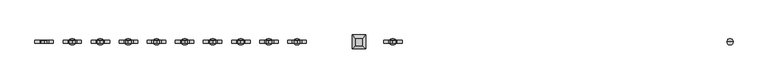
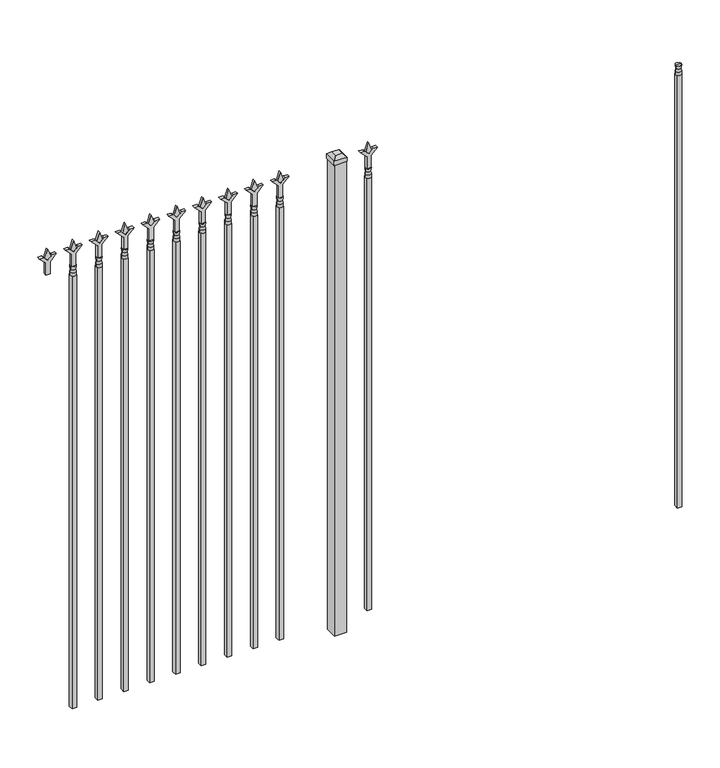
"""IFC4 building model written with IfcOpenShell, lengths in millimetres: railing geometry."""

from ifc_helpers import new_model, si_unit, frame, origin, origin_with_axes, place, context, project, spatial, polyline, circle_curve, outline, extrude, faceted_brep, source, transform, mapped, element, save
from ifc_brep_helpers import plane_surface, cylinder_surface, revolved_surface, advanced_brep


def railing_6da1536f(model_context):
    return source(origin(), model_context, "Body", "SolidModel", [
        advanced_brep(
        [(-58315.574337, -3073.6570174, 1993.9), (-58339.386837, -3073.6570174, 1993.9), (-58339.386837, -3073.6570174, 1981.2), (-58315.574337, -3073.6570174, 1981.2), (-58317.7796688, -3073.6570174, 2006.4070585), (-58337.1815051, -3073.6570174, 2006.4070585), (-58315.574337, -3073.6570174, 2022.475), (-58339.386837, -3073.6570174, 2022.475), (-58327.480587, -3073.6570174, 2022.475), (-58327.480587, -3073.6570174, 1981.2)],
        [
            (0, 1, circle_curve(frame((-58327.480587, -3073.6570174, 1993.9), z_axis=(0.0, 0.0, -1.0), x_axis=(-1.0, 0.0, 0.0)), 11.90625)),
            (1, 2),
            (2, 3, circle_curve(frame((-58327.480587, -3073.6570174, 1981.2), z_axis=(0.0, 0.0, 1.0), x_axis=(-1.0, 0.0, 0.0)), 11.90625)),
            (3, 0),
            (1, 0, circle_curve(frame((-58327.480587, -3073.6570174, 1993.9), z_axis=(0.0, 0.0, -1.0), x_axis=(-1.0, 0.0, 0.0)), 11.90625)),
            (3, 2, circle_curve(frame((-58327.480587, -3073.6570174, 1981.2), z_axis=(0.0, 0.0, 1.0), x_axis=(-1.0, 0.0, 0.0)), 11.90625)),
            (4, 5, circle_curve(frame((-58327.480587, -3073.6570174, 2006.4070585), z_axis=(0.0, 0.0, -1.0), x_axis=(-1.0, 0.0, 0.0)), 9.7009181)),
            (5, 1),
            (0, 4),
            (5, 4, circle_curve(frame((-58327.480587, -3073.6570174, 2006.4070585), z_axis=(0.0, 0.0, -1.0), x_axis=(-1.0, 0.0, 0.0)), 9.7009181)),
            (6, 7, circle_curve(frame((-58327.480587, -3073.6570174, 2022.475), z_axis=(0.0, 0.0, -1.0), x_axis=(-1.0, 0.0, 0.0)), 11.90625)),
            (7, 5),
            (4, 6),
            (7, 6, circle_curve(frame((-58327.480587, -3073.6570174, 2022.475), z_axis=(0.0, 0.0, -1.0), x_axis=(-1.0, 0.0, 0.0)), 11.90625)),
            (8, 7),
            (6, 8),
            (2, 9),
            (9, 3),
        ],
        [
            cylinder_surface(frame((-58327.480587, -3073.6570174, 1981.2), z_axis=(0.0, 0.0, 1.0), x_axis=(-1.0, 0.0, 0.0)), 11.90625),
            revolved_surface(polyline([(-58339.386837, -3073.6570174, 1993.9), (-58337.1815051, -3073.6570174, 2006.4070585)]), (-58327.480587, -3073.6570174, 1981.2), (0.0, 0.0, 1.0)),
            revolved_surface(polyline([(-58337.1815051, -3073.6570174, 2006.4070585), (-58339.386837, -3073.6570174, 2022.475)]), (-58327.480587, -3073.6570174, 1981.2), (0.0, 0.0, 1.0)),
            plane_surface(frame((-58327.480587, -3073.6570174, 2022.475), z_axis=(0.0, 0.0, 1.0), x_axis=(-1.0, 0.0, 0.0))),
            plane_surface(frame((-58327.480587, -3073.6570174, 1981.2), z_axis=(0.0, 0.0, -1.0), x_axis=(-1.0, 0.0, 0.0))),
        ],
        [
            (0, [[1, 2, 3, 4]]),
            (0, [[5, -4, 6, -2]]),
            (1, [[7, 8, -1, 9]]),
            (1, [[10, -9, -5, -8]]),
            (2, [[11, 12, -7, 13]]),
            (2, [[14, -13, -10, -12]]),
            (3, [[15, -11, 16]]),
            (3, [[-16, -14, -15]]),
            (4, [[-3, 17, 18]]),
            (4, [[-6, -18, -17]]),
        ],
    ),
        extrude(outline(polyline([(-58337.005587, -3064.1320174), (-58317.955587, -3064.1320174), (-58317.955587, -3083.1820174), (-58337.005587, -3083.1820174), (-58337.005587, -3064.1320174)])), frame((0.0, 0.0, 50.8), z_axis=(0.0, 0.0, 1.0), x_axis=(1.0, 0.0, 0.0)), (0.0, 0.0, 1.0), 1930.4),
        extrude(outline(polyline([(2097.88125, -59626.849337), (2133.6, -59638.755587), (2097.88125, -59650.661837), (2085.975, -59638.755587), (2097.88125, -59626.849337)])), frame((0.0, -3078.4195174, 0.0), z_axis=(0.0, 1.0, 0.0), x_axis=(0.0, 0.0, 1.0)), (0.0, 0.0, 1.0), 9.525),
        extrude(outline(polyline([(2022.475, -59630.024337), (2076.7457378, -59630.024337), (2103.9355122, -59602.8345625), (2103.9355122, -59620.7950747), (2085.975, -59638.755587), (2103.9355122, -59656.7160992), (2103.9355122, -59674.6766114), (2076.7457378, -59647.486837), (2022.475, -59647.486837), (2022.475, -59630.024337)])), frame((0.0, -3080.0070174, 0.0), z_axis=(0.0, 1.0, 0.0), x_axis=(0.0, 0.0, 1.0)), (0.0, 0.0, 1.0), 12.7),
        advanced_brep(
        [(-59626.849337, -3073.6570174, 1993.9), (-59650.661837, -3073.6570174, 1993.9), (-59650.661837, -3073.6570174, 1981.2), (-59626.849337, -3073.6570174, 1981.2), (-59629.0546688, -3073.6570174, 2006.4070585), (-59648.4565051, -3073.6570174, 2006.4070585), (-59626.849337, -3073.6570174, 2022.475), (-59650.661837, -3073.6570174, 2022.475), (-59638.755587, -3073.6570174, 2022.475), (-59638.755587, -3073.6570174, 1981.2)],
        [
            (0, 1, circle_curve(frame((-59638.755587, -3073.6570174, 1993.9), z_axis=(0.0, 0.0, -1.0), x_axis=(-1.0, 0.0, 0.0)), 11.90625)),
            (1, 2),
            (2, 3, circle_curve(frame((-59638.755587, -3073.6570174, 1981.2), z_axis=(0.0, 0.0, 1.0), x_axis=(-1.0, 0.0, 0.0)), 11.90625)),
            (3, 0),
            (1, 0, circle_curve(frame((-59638.755587, -3073.6570174, 1993.9), z_axis=(0.0, 0.0, -1.0), x_axis=(-1.0, 0.0, 0.0)), 11.90625)),
            (3, 2, circle_curve(frame((-59638.755587, -3073.6570174, 1981.2), z_axis=(0.0, 0.0, 1.0), x_axis=(-1.0, 0.0, 0.0)), 11.90625)),
            (4, 5, circle_curve(frame((-59638.755587, -3073.6570174, 2006.4070585), z_axis=(0.0, 0.0, -1.0), x_axis=(-1.0, 0.0, 0.0)), 9.7009181)),
            (5, 1),
            (0, 4),
            (5, 4, circle_curve(frame((-59638.755587, -3073.6570174, 2006.4070585), z_axis=(0.0, 0.0, -1.0), x_axis=(-1.0, 0.0, 0.0)), 9.7009181)),
            (6, 7, circle_curve(frame((-59638.755587, -3073.6570174, 2022.475), z_axis=(0.0, 0.0, -1.0), x_axis=(-1.0, 0.0, 0.0)), 11.90625)),
            (7, 5),
            (4, 6),
            (7, 6, circle_curve(frame((-59638.755587, -3073.6570174, 2022.475), z_axis=(0.0, 0.0, -1.0), x_axis=(-1.0, 0.0, 0.0)), 11.90625)),
            (8, 7),
            (6, 8),
            (2, 9),
            (9, 3),
        ],
        [
            cylinder_surface(frame((-59638.755587, -3073.6570174, 1981.2), z_axis=(0.0, 0.0, 1.0), x_axis=(-1.0, 0.0, 0.0)), 11.90625),
            revolved_surface(polyline([(-59650.661837, -3073.6570174, 1993.9), (-59648.4565051, -3073.6570174, 2006.4070585)]), (-59638.755587, -3073.6570174, 1981.2), (0.0, 0.0, 1.0)),
            revolved_surface(polyline([(-59648.4565051, -3073.6570174, 2006.4070585), (-59650.661837, -3073.6570174, 2022.475)]), (-59638.755587, -3073.6570174, 1981.2), (0.0, 0.0, 1.0)),
            plane_surface(frame((-59638.755587, -3073.6570174, 2022.475), z_axis=(0.0, 0.0, 1.0), x_axis=(-1.0, 0.0, 0.0))),
            plane_surface(frame((-59638.755587, -3073.6570174, 1981.2), z_axis=(0.0, 0.0, -1.0), x_axis=(-1.0, 0.0, 0.0))),
        ],
        [
            (0, [[1, 2, 3, 4]]),
            (0, [[5, -4, 6, -2]]),
            (1, [[7, 8, -1, 9]]),
            (1, [[10, -9, -5, -8]]),
            (2, [[11, 12, -7, 13]]),
            (2, [[14, -13, -10, -12]]),
            (3, [[15, -11, 16]]),
            (3, [[-16, -14, -15]]),
            (4, [[-3, 17, 18]]),
            (4, [[-6, -18, -17]]),
        ],
    ),
        extrude(outline(polyline([(-59648.280587, -3064.1320174), (-59629.230587, -3064.1320174), (-59629.230587, -3083.1820174), (-59648.280587, -3083.1820174), (-59648.280587, -3064.1320174)])), frame((0.0, 0.0, 50.8), z_axis=(0.0, 0.0, 1.0), x_axis=(1.0, 0.0, 0.0)), (0.0, 0.0, 1.0), 1930.4),
        extrude(outline(polyline([(-59745.118087, -3048.2570174), (-59745.118087, -3099.0570174), (-59795.918087, -3099.0570174), (-59795.918087, -3048.2570174), (-59745.118087, -3048.2570174)])), origin_with_axes(), (0.0, 0.0, 1.0), 2101.85),
        faceted_brep([(-59797.505587, -3046.6695174, 2120.9), (-59797.505587, -3046.6695174, 2101.85), (-59797.505587, -3100.6445174, 2101.85), (-59797.505587, -3100.6445174, 2120.9), (-59784.805587, -3059.3695174, 2133.6), (-59784.805587, -3087.9445174, 2133.6), (-59743.530587, -3100.6445174, 2101.85), (-59743.530587, -3100.6445174, 2120.9), (-59756.230587, -3087.9445174, 2133.6), (-59743.530587, -3046.6695174, 2101.85), (-59743.530587, -3046.6695174, 2120.9), (-59756.230587, -3059.3695174, 2133.6)], [[[0, 1, 2, 3]], [[4, 0, 3, 5]], [[3, 2, 6, 7]], [[5, 3, 7, 8]], [[7, 6, 9, 10]], [[8, 7, 10, 11]], [[10, 9, 1, 0]], [[11, 10, 0, 4]], [[5, 8, 11, 4]], [[1, 9, 6, 2]]]),
        extrude(outline(polyline([(2097.88125, -59999.6472536), (2133.6, -60011.5535036), (2097.88125, -60023.4597536), (2085.975, -60011.5535036), (2097.88125, -59999.6472536)])), frame((0.0, -3078.4195174, 0.0), z_axis=(0.0, 1.0, 0.0), x_axis=(0.0, 0.0, 1.0)), (0.0, 0.0, 1.0), 9.525),
        extrude(outline(polyline([(2022.475, -60002.8222536), (2076.7457378, -60002.8222536), (2103.9355122, -59975.6324791), (2103.9355122, -59993.5929914), (2085.975, -60011.5535036), (2103.9355122, -60029.5140159), (2103.9355122, -60047.4745281), (2076.7457378, -60020.2847536), (2022.475, -60020.2847536), (2022.475, -60002.8222536)])), frame((0.0, -3080.0070174, 0.0), z_axis=(0.0, 1.0, 0.0), x_axis=(0.0, 0.0, 1.0)), (0.0, 0.0, 1.0), 12.7),
        advanced_brep(
        [(-59999.6472536, -3073.6570174, 1993.9), (-60023.4597536, -3073.6570174, 1993.9), (-60023.4597536, -3073.6570174, 1981.2), (-59999.6472536, -3073.6570174, 1981.2), (-60001.8525855, -3073.6570174, 2006.4070585), (-60021.2544218, -3073.6570174, 2006.4070585), (-59999.6472536, -3073.6570174, 2022.475), (-60023.4597536, -3073.6570174, 2022.475), (-60011.5535036, -3073.6570174, 2022.475), (-60011.5535036, -3073.6570174, 1981.2)],
        [
            (0, 1, circle_curve(frame((-60011.5535036, -3073.6570174, 1993.9), z_axis=(0.0, 0.0, -1.0), x_axis=(-1.0, 0.0, 0.0)), 11.90625)),
            (1, 2),
            (2, 3, circle_curve(frame((-60011.5535036, -3073.6570174, 1981.2), z_axis=(0.0, 0.0, 1.0), x_axis=(-1.0, 0.0, 0.0)), 11.90625)),
            (3, 0),
            (1, 0, circle_curve(frame((-60011.5535036, -3073.6570174, 1993.9), z_axis=(0.0, 0.0, -1.0), x_axis=(-1.0, 0.0, 0.0)), 11.90625)),
            (3, 2, circle_curve(frame((-60011.5535036, -3073.6570174, 1981.2), z_axis=(0.0, 0.0, 1.0), x_axis=(-1.0, 0.0, 0.0)), 11.90625)),
            (4, 5, circle_curve(frame((-60011.5535036, -3073.6570174, 2006.4070585), z_axis=(0.0, 0.0, -1.0), x_axis=(-1.0, 0.0, 0.0)), 9.7009181)),
            (5, 1),
            (0, 4),
            (5, 4, circle_curve(frame((-60011.5535036, -3073.6570174, 2006.4070585), z_axis=(0.0, 0.0, -1.0), x_axis=(-1.0, 0.0, 0.0)), 9.7009181)),
            (6, 7, circle_curve(frame((-60011.5535036, -3073.6570174, 2022.475), z_axis=(0.0, 0.0, -1.0), x_axis=(-1.0, 0.0, 0.0)), 11.90625)),
            (7, 5),
            (4, 6),
            (7, 6, circle_curve(frame((-60011.5535036, -3073.6570174, 2022.475), z_axis=(0.0, 0.0, -1.0), x_axis=(-1.0, 0.0, 0.0)), 11.90625)),
            (8, 7),
            (6, 8),
            (2, 9),
            (9, 3),
        ],
        [
            cylinder_surface(frame((-60011.5535036, -3073.6570174, 1981.2), z_axis=(0.0, 0.0, 1.0), x_axis=(-1.0, 0.0, 0.0)), 11.90625),
            revolved_surface(polyline([(-60023.4597536, -3073.6570174, 1993.9), (-60021.2544218, -3073.6570174, 2006.4070585)]), (-60011.5535036, -3073.6570174, 1981.2), (0.0, 0.0, 1.0)),
            revolved_surface(polyline([(-60021.2544218, -3073.6570174, 2006.4070585), (-60023.4597536, -3073.6570174, 2022.475)]), (-60011.5535036, -3073.6570174, 1981.2), (0.0, 0.0, 1.0)),
            plane_surface(frame((-60011.5535036, -3073.6570174, 2022.475), z_axis=(0.0, 0.0, 1.0), x_axis=(-1.0, 0.0, 0.0))),
            plane_surface(frame((-60011.5535036, -3073.6570174, 1981.2), z_axis=(0.0, 0.0, -1.0), x_axis=(-1.0, 0.0, 0.0))),
        ],
        [
            (0, [[1, 2, 3, 4]]),
            (0, [[5, -4, 6, -2]]),
            (1, [[7, 8, -1, 9]]),
            (1, [[10, -9, -5, -8]]),
            (2, [[11, 12, -7, 13]]),
            (2, [[14, -13, -10, -12]]),
            (3, [[15, -11, 16]]),
            (3, [[-16, -14, -15]]),
            (4, [[-3, 17, 18]]),
            (4, [[-6, -18, -17]]),
        ],
    ),
        extrude(outline(polyline([(-60021.0785036, -3064.1320174), (-60002.0285036, -3064.1320174), (-60002.0285036, -3083.1820174), (-60021.0785036, -3083.1820174), (-60021.0785036, -3064.1320174)])), frame((0.0, 0.0, 50.8), z_axis=(0.0, 0.0, 1.0), x_axis=(1.0, 0.0, 0.0)), (0.0, 0.0, 1.0), 1930.4),
        extrude(outline(polyline([(2097.88125, -60108.9201703), (2133.6, -60120.8264203), (2097.88125, -60132.7326703), (2085.975, -60120.8264203), (2097.88125, -60108.9201703)])), frame((0.0, -3078.4195174, 0.0), z_axis=(0.0, 1.0, 0.0), x_axis=(0.0, 0.0, 1.0)), (0.0, 0.0, 1.0), 9.525),
        extrude(outline(polyline([(2022.475, -60112.0951703), (2076.7457378, -60112.0951703), (2103.9355122, -60084.9053958), (2103.9355122, -60102.8659081), (2085.975, -60120.8264203), (2103.9355122, -60138.7869325), (2103.9355122, -60156.7474448), (2076.7457378, -60129.5576703), (2022.475, -60129.5576703), (2022.475, -60112.0951703)])), frame((0.0, -3080.0070174, 0.0), z_axis=(0.0, 1.0, 0.0), x_axis=(0.0, 0.0, 1.0)), (0.0, 0.0, 1.0), 12.7),
        advanced_brep(
        [(-60108.9201703, -3073.6570174, 1993.9), (-60132.7326703, -3073.6570174, 1993.9), (-60132.7326703, -3073.6570174, 1981.2), (-60108.9201703, -3073.6570174, 1981.2), (-60111.1255022, -3073.6570174, 2006.4070585), (-60130.5273384, -3073.6570174, 2006.4070585), (-60108.9201703, -3073.6570174, 2022.475), (-60132.7326703, -3073.6570174, 2022.475), (-60120.8264203, -3073.6570174, 2022.475), (-60120.8264203, -3073.6570174, 1981.2)],
        [
            (0, 1, circle_curve(frame((-60120.8264203, -3073.6570174, 1993.9), z_axis=(0.0, 0.0, -1.0), x_axis=(-1.0, 0.0, 0.0)), 11.90625)),
            (1, 2),
            (2, 3, circle_curve(frame((-60120.8264203, -3073.6570174, 1981.2), z_axis=(0.0, 0.0, 1.0), x_axis=(-1.0, 0.0, 0.0)), 11.90625)),
            (3, 0),
            (1, 0, circle_curve(frame((-60120.8264203, -3073.6570174, 1993.9), z_axis=(0.0, 0.0, -1.0), x_axis=(-1.0, 0.0, 0.0)), 11.90625)),
            (3, 2, circle_curve(frame((-60120.8264203, -3073.6570174, 1981.2), z_axis=(0.0, 0.0, 1.0), x_axis=(-1.0, 0.0, 0.0)), 11.90625)),
            (4, 5, circle_curve(frame((-60120.8264203, -3073.6570174, 2006.4070585), z_axis=(0.0, 0.0, -1.0), x_axis=(-1.0, 0.0, 0.0)), 9.7009181)),
            (5, 1),
            (0, 4),
            (5, 4, circle_curve(frame((-60120.8264203, -3073.6570174, 2006.4070585), z_axis=(0.0, 0.0, -1.0), x_axis=(-1.0, 0.0, 0.0)), 9.7009181)),
            (6, 7, circle_curve(frame((-60120.8264203, -3073.6570174, 2022.475), z_axis=(0.0, 0.0, -1.0), x_axis=(-1.0, 0.0, 0.0)), 11.90625)),
            (7, 5),
            (4, 6),
            (7, 6, circle_curve(frame((-60120.8264203, -3073.6570174, 2022.475), z_axis=(0.0, 0.0, -1.0), x_axis=(-1.0, 0.0, 0.0)), 11.90625)),
            (8, 7),
            (6, 8),
            (2, 9),
            (9, 3),
        ],
        [
            cylinder_surface(frame((-60120.8264203, -3073.6570174, 1981.2), z_axis=(0.0, 0.0, 1.0), x_axis=(-1.0, 0.0, 0.0)), 11.90625),
            revolved_surface(polyline([(-60132.7326703, -3073.6570174, 1993.9), (-60130.5273384, -3073.6570174, 2006.4070585)]), (-60120.8264203, -3073.6570174, 1981.2), (0.0, 0.0, 1.0)),
            revolved_surface(polyline([(-60130.5273384, -3073.6570174, 2006.4070585), (-60132.7326703, -3073.6570174, 2022.475)]), (-60120.8264203, -3073.6570174, 1981.2), (0.0, 0.0, 1.0)),
            plane_surface(frame((-60120.8264203, -3073.6570174, 2022.475), z_axis=(0.0, 0.0, 1.0), x_axis=(-1.0, 0.0, 0.0))),
            plane_surface(frame((-60120.8264203, -3073.6570174, 1981.2), z_axis=(0.0, 0.0, -1.0), x_axis=(-1.0, 0.0, 0.0))),
        ],
        [
            (0, [[1, 2, 3, 4]]),
            (0, [[5, -4, 6, -2]]),
            (1, [[7, 8, -1, 9]]),
            (1, [[10, -9, -5, -8]]),
            (2, [[11, 12, -7, 13]]),
            (2, [[14, -13, -10, -12]]),
            (3, [[15, -11, 16]]),
            (3, [[-16, -14, -15]]),
            (4, [[-3, 17, 18]]),
            (4, [[-6, -18, -17]]),
        ],
    ),
        extrude(outline(polyline([(-60130.3514203, -3064.1320174), (-60111.3014203, -3064.1320174), (-60111.3014203, -3083.1820174), (-60130.3514203, -3083.1820174), (-60130.3514203, -3064.1320174)])), frame((0.0, 0.0, 50.8), z_axis=(0.0, 0.0, 1.0), x_axis=(1.0, 0.0, 0.0)), (0.0, 0.0, 1.0), 1930.4),
        extrude(outline(polyline([(2097.88125, -60218.193087), (2133.6, -60230.099337), (2097.88125, -60242.005587), (2085.975, -60230.099337), (2097.88125, -60218.193087)])), frame((0.0, -3078.4195174, 0.0), z_axis=(0.0, 1.0, 0.0), x_axis=(0.0, 0.0, 1.0)), (0.0, 0.0, 1.0), 9.525),
        extrude(outline(polyline([(2022.475, -60221.368087), (2076.7457378, -60221.368087), (2103.9355122, -60194.1783125), (2103.9355122, -60212.1388247), (2085.975, -60230.099337), (2103.9355122, -60248.0598492), (2103.9355122, -60266.0203614), (2076.7457378, -60238.830587), (2022.475, -60238.830587), (2022.475, -60221.368087)])), frame((0.0, -3080.0070174, 0.0), z_axis=(0.0, 1.0, 0.0), x_axis=(0.0, 0.0, 1.0)), (0.0, 0.0, 1.0), 12.7),
        advanced_brep(
        [(-60218.193087, -3073.6570174, 1993.9), (-60242.005587, -3073.6570174, 1993.9), (-60242.005587, -3073.6570174, 1981.2), (-60218.193087, -3073.6570174, 1981.2), (-60220.3984188, -3073.6570174, 2006.4070585), (-60239.8002551, -3073.6570174, 2006.4070585), (-60218.193087, -3073.6570174, 2022.475), (-60242.005587, -3073.6570174, 2022.475), (-60230.099337, -3073.6570174, 2022.475), (-60230.099337, -3073.6570174, 1981.2)],
        [
            (0, 1, circle_curve(frame((-60230.099337, -3073.6570174, 1993.9), z_axis=(0.0, 0.0, -1.0), x_axis=(-1.0, 0.0, 0.0)), 11.90625)),
            (1, 2),
            (2, 3, circle_curve(frame((-60230.099337, -3073.6570174, 1981.2), z_axis=(0.0, 0.0, 1.0), x_axis=(-1.0, 0.0, 0.0)), 11.90625)),
            (3, 0),
            (1, 0, circle_curve(frame((-60230.099337, -3073.6570174, 1993.9), z_axis=(0.0, 0.0, -1.0), x_axis=(-1.0, 0.0, 0.0)), 11.90625)),
            (3, 2, circle_curve(frame((-60230.099337, -3073.6570174, 1981.2), z_axis=(0.0, 0.0, 1.0), x_axis=(-1.0, 0.0, 0.0)), 11.90625)),
            (4, 5, circle_curve(frame((-60230.099337, -3073.6570174, 2006.4070585), z_axis=(0.0, 0.0, -1.0), x_axis=(-1.0, 0.0, 0.0)), 9.7009181)),
            (5, 1),
            (0, 4),
            (5, 4, circle_curve(frame((-60230.099337, -3073.6570174, 2006.4070585), z_axis=(0.0, 0.0, -1.0), x_axis=(-1.0, 0.0, 0.0)), 9.7009181)),
            (6, 7, circle_curve(frame((-60230.099337, -3073.6570174, 2022.475), z_axis=(0.0, 0.0, -1.0), x_axis=(-1.0, 0.0, 0.0)), 11.90625)),
            (7, 5),
            (4, 6),
            (7, 6, circle_curve(frame((-60230.099337, -3073.6570174, 2022.475), z_axis=(0.0, 0.0, -1.0), x_axis=(-1.0, 0.0, 0.0)), 11.90625)),
            (8, 7),
            (6, 8),
            (2, 9),
            (9, 3),
        ],
        [
            cylinder_surface(frame((-60230.099337, -3073.6570174, 1981.2), z_axis=(0.0, 0.0, 1.0), x_axis=(-1.0, 0.0, 0.0)), 11.90625),
            revolved_surface(polyline([(-60242.005587, -3073.6570174, 1993.9), (-60239.8002551, -3073.6570174, 2006.4070585)]), (-60230.099337, -3073.6570174, 1981.2), (0.0, 0.0, 1.0)),
            revolved_surface(polyline([(-60239.8002551, -3073.6570174, 2006.4070585), (-60242.005587, -3073.6570174, 2022.475)]), (-60230.099337, -3073.6570174, 1981.2), (0.0, 0.0, 1.0)),
            plane_surface(frame((-60230.099337, -3073.6570174, 2022.475), z_axis=(0.0, 0.0, 1.0), x_axis=(-1.0, 0.0, 0.0))),
            plane_surface(frame((-60230.099337, -3073.6570174, 1981.2), z_axis=(0.0, 0.0, -1.0), x_axis=(-1.0, 0.0, 0.0))),
        ],
        [
            (0, [[1, 2, 3, 4]]),
            (0, [[5, -4, 6, -2]]),
            (1, [[7, 8, -1, 9]]),
            (1, [[10, -9, -5, -8]]),
            (2, [[11, 12, -7, 13]]),
            (2, [[14, -13, -10, -12]]),
            (3, [[15, -11, 16]]),
            (3, [[-16, -14, -15]]),
            (4, [[-3, 17, 18]]),
            (4, [[-6, -18, -17]]),
        ],
    ),
        extrude(outline(polyline([(-60239.624337, -3064.1320174), (-60220.574337, -3064.1320174), (-60220.574337, -3083.1820174), (-60239.624337, -3083.1820174), (-60239.624337, -3064.1320174)])), frame((0.0, 0.0, 50.8), z_axis=(0.0, 0.0, 1.0), x_axis=(1.0, 0.0, 0.0)), (0.0, 0.0, 1.0), 1930.4),
        extrude(outline(polyline([(2097.88125, -60327.4660036), (2133.6, -60339.3722536), (2097.88125, -60351.2785036), (2085.975, -60339.3722536), (2097.88125, -60327.4660036)])), frame((0.0, -3078.4195174, 0.0), z_axis=(0.0, 1.0, 0.0), x_axis=(0.0, 0.0, 1.0)), (0.0, 0.0, 1.0), 9.525),
        extrude(outline(polyline([(2022.475, -60330.6410036), (2076.7457378, -60330.6410036), (2103.9355122, -60303.4512291), (2103.9355122, -60321.4117414), (2085.975, -60339.3722536), (2103.9355122, -60357.3327659), (2103.9355122, -60375.2932781), (2076.7457378, -60348.1035036), (2022.475, -60348.1035036), (2022.475, -60330.6410036)])), frame((0.0, -3080.0070174, 0.0), z_axis=(0.0, 1.0, 0.0), x_axis=(0.0, 0.0, 1.0)), (0.0, 0.0, 1.0), 12.7),
        advanced_brep(
        [(-60327.4660036, -3073.6570174, 1993.9), (-60351.2785036, -3073.6570174, 1993.9), (-60351.2785036, -3073.6570174, 1981.2), (-60327.4660036, -3073.6570174, 1981.2), (-60329.6713355, -3073.6570174, 2006.4070585), (-60349.0731718, -3073.6570174, 2006.4070585), (-60327.4660036, -3073.6570174, 2022.475), (-60351.2785036, -3073.6570174, 2022.475), (-60339.3722536, -3073.6570174, 2022.475), (-60339.3722536, -3073.6570174, 1981.2)],
        [
            (0, 1, circle_curve(frame((-60339.3722536, -3073.6570174, 1993.9), z_axis=(0.0, 0.0, -1.0), x_axis=(-1.0, 0.0, 0.0)), 11.90625)),
            (1, 2),
            (2, 3, circle_curve(frame((-60339.3722536, -3073.6570174, 1981.2), z_axis=(0.0, 0.0, 1.0), x_axis=(-1.0, 0.0, 0.0)), 11.90625)),
            (3, 0),
            (1, 0, circle_curve(frame((-60339.3722536, -3073.6570174, 1993.9), z_axis=(0.0, 0.0, -1.0), x_axis=(-1.0, 0.0, 0.0)), 11.90625)),
            (3, 2, circle_curve(frame((-60339.3722536, -3073.6570174, 1981.2), z_axis=(0.0, 0.0, 1.0), x_axis=(-1.0, 0.0, 0.0)), 11.90625)),
            (4, 5, circle_curve(frame((-60339.3722536, -3073.6570174, 2006.4070585), z_axis=(0.0, 0.0, -1.0), x_axis=(-1.0, 0.0, 0.0)), 9.7009181)),
            (5, 1),
            (0, 4),
            (5, 4, circle_curve(frame((-60339.3722536, -3073.6570174, 2006.4070585), z_axis=(0.0, 0.0, -1.0), x_axis=(-1.0, 0.0, 0.0)), 9.7009181)),
            (6, 7, circle_curve(frame((-60339.3722536, -3073.6570174, 2022.475), z_axis=(0.0, 0.0, -1.0), x_axis=(-1.0, 0.0, 0.0)), 11.90625)),
            (7, 5),
            (4, 6),
            (7, 6, circle_curve(frame((-60339.3722536, -3073.6570174, 2022.475), z_axis=(0.0, 0.0, -1.0), x_axis=(-1.0, 0.0, 0.0)), 11.90625)),
            (8, 7),
            (6, 8),
            (2, 9),
            (9, 3),
        ],
        [
            cylinder_surface(frame((-60339.3722536, -3073.6570174, 1981.2), z_axis=(0.0, 0.0, 1.0), x_axis=(-1.0, 0.0, 0.0)), 11.90625),
            revolved_surface(polyline([(-60351.2785036, -3073.6570174, 1993.9), (-60349.0731718, -3073.6570174, 2006.4070585)]), (-60339.3722536, -3073.6570174, 1981.2), (0.0, 0.0, 1.0)),
            revolved_surface(polyline([(-60349.0731718, -3073.6570174, 2006.4070585), (-60351.2785036, -3073.6570174, 2022.475)]), (-60339.3722536, -3073.6570174, 1981.2), (0.0, 0.0, 1.0)),
            plane_surface(frame((-60339.3722536, -3073.6570174, 2022.475), z_axis=(0.0, 0.0, 1.0), x_axis=(-1.0, 0.0, 0.0))),
            plane_surface(frame((-60339.3722536, -3073.6570174, 1981.2), z_axis=(0.0, 0.0, -1.0), x_axis=(-1.0, 0.0, 0.0))),
        ],
        [
            (0, [[1, 2, 3, 4]]),
            (0, [[5, -4, 6, -2]]),
            (1, [[7, 8, -1, 9]]),
            (1, [[10, -9, -5, -8]]),
            (2, [[11, 12, -7, 13]]),
            (2, [[14, -13, -10, -12]]),
            (3, [[15, -11, 16]]),
            (3, [[-16, -14, -15]]),
            (4, [[-3, 17, 18]]),
            (4, [[-6, -18, -17]]),
        ],
    ),
        extrude(outline(polyline([(-60348.8972536, -3064.1320174), (-60329.8472536, -3064.1320174), (-60329.8472536, -3083.1820174), (-60348.8972536, -3083.1820174), (-60348.8972536, -3064.1320174)])), frame((0.0, 0.0, 50.8), z_axis=(0.0, 0.0, 1.0), x_axis=(1.0, 0.0, 0.0)), (0.0, 0.0, 1.0), 1930.4),
        extrude(outline(polyline([(2097.88125, -60436.7389203), (2133.6, -60448.6451703), (2097.88125, -60460.5514203), (2085.975, -60448.6451703), (2097.88125, -60436.7389203)])), frame((0.0, -3078.4195174, 0.0), z_axis=(0.0, 1.0, 0.0), x_axis=(0.0, 0.0, 1.0)), (0.0, 0.0, 1.0), 9.525),
        extrude(outline(polyline([(2022.475, -60439.9139203), (2076.7457378, -60439.9139203), (2103.9355122, -60412.7241458), (2103.9355122, -60430.6846581), (2085.975, -60448.6451703), (2103.9355122, -60466.6056825), (2103.9355122, -60484.5661948), (2076.7457378, -60457.3764203), (2022.475, -60457.3764203), (2022.475, -60439.9139203)])), frame((0.0, -3080.0070174, 0.0), z_axis=(0.0, 1.0, 0.0), x_axis=(0.0, 0.0, 1.0)), (0.0, 0.0, 1.0), 12.7),
        advanced_brep(
        [(-60436.7389203, -3073.6570174, 1993.9), (-60460.5514203, -3073.6570174, 1993.9), (-60460.5514203, -3073.6570174, 1981.2), (-60436.7389203, -3073.6570174, 1981.2), (-60438.9442522, -3073.6570174, 2006.4070585), (-60458.3460884, -3073.6570174, 2006.4070585), (-60436.7389203, -3073.6570174, 2022.475), (-60460.5514203, -3073.6570174, 2022.475), (-60448.6451703, -3073.6570174, 2022.475), (-60448.6451703, -3073.6570174, 1981.2)],
        [
            (0, 1, circle_curve(frame((-60448.6451703, -3073.6570174, 1993.9), z_axis=(0.0, 0.0, -1.0), x_axis=(-1.0, 0.0, 0.0)), 11.90625)),
            (1, 2),
            (2, 3, circle_curve(frame((-60448.6451703, -3073.6570174, 1981.2), z_axis=(0.0, 0.0, 1.0), x_axis=(-1.0, 0.0, 0.0)), 11.90625)),
            (3, 0),
            (1, 0, circle_curve(frame((-60448.6451703, -3073.6570174, 1993.9), z_axis=(0.0, 0.0, -1.0), x_axis=(-1.0, 0.0, 0.0)), 11.90625)),
            (3, 2, circle_curve(frame((-60448.6451703, -3073.6570174, 1981.2), z_axis=(0.0, 0.0, 1.0), x_axis=(-1.0, 0.0, 0.0)), 11.90625)),
            (4, 5, circle_curve(frame((-60448.6451703, -3073.6570174, 2006.4070585), z_axis=(0.0, 0.0, -1.0), x_axis=(-1.0, 0.0, 0.0)), 9.7009181)),
            (5, 1),
            (0, 4),
            (5, 4, circle_curve(frame((-60448.6451703, -3073.6570174, 2006.4070585), z_axis=(0.0, 0.0, -1.0), x_axis=(-1.0, 0.0, 0.0)), 9.7009181)),
            (6, 7, circle_curve(frame((-60448.6451703, -3073.6570174, 2022.475), z_axis=(0.0, 0.0, -1.0), x_axis=(-1.0, 0.0, 0.0)), 11.90625)),
            (7, 5),
            (4, 6),
            (7, 6, circle_curve(frame((-60448.6451703, -3073.6570174, 2022.475), z_axis=(0.0, 0.0, -1.0), x_axis=(-1.0, 0.0, 0.0)), 11.90625)),
            (8, 7),
            (6, 8),
            (2, 9),
            (9, 3),
        ],
        [
            cylinder_surface(frame((-60448.6451703, -3073.6570174, 1981.2), z_axis=(0.0, 0.0, 1.0), x_axis=(-1.0, 0.0, 0.0)), 11.90625),
            revolved_surface(polyline([(-60460.5514203, -3073.6570174, 1993.9), (-60458.3460884, -3073.6570174, 2006.4070585)]), (-60448.6451703, -3073.6570174, 1981.2), (0.0, 0.0, 1.0)),
            revolved_surface(polyline([(-60458.3460884, -3073.6570174, 2006.4070585), (-60460.5514203, -3073.6570174, 2022.475)]), (-60448.6451703, -3073.6570174, 1981.2), (0.0, 0.0, 1.0)),
            plane_surface(frame((-60448.6451703, -3073.6570174, 2022.475), z_axis=(0.0, 0.0, 1.0), x_axis=(-1.0, 0.0, 0.0))),
            plane_surface(frame((-60448.6451703, -3073.6570174, 1981.2), z_axis=(0.0, 0.0, -1.0), x_axis=(-1.0, 0.0, 0.0))),
        ],
        [
            (0, [[1, 2, 3, 4]]),
            (0, [[5, -4, 6, -2]]),
            (1, [[7, 8, -1, 9]]),
            (1, [[10, -9, -5, -8]]),
            (2, [[11, 12, -7, 13]]),
            (2, [[14, -13, -10, -12]]),
            (3, [[15, -11, 16]]),
            (3, [[-16, -14, -15]]),
            (4, [[-3, 17, 18]]),
            (4, [[-6, -18, -17]]),
        ],
    ),
        extrude(outline(polyline([(-60458.1701703, -3064.1320174), (-60439.1201703, -3064.1320174), (-60439.1201703, -3083.1820174), (-60458.1701703, -3083.1820174), (-60458.1701703, -3064.1320174)])), frame((0.0, 0.0, 50.8), z_axis=(0.0, 0.0, 1.0), x_axis=(1.0, 0.0, 0.0)), (0.0, 0.0, 1.0), 1930.4),
        extrude(outline(polyline([(2097.88125, -60546.011837), (2133.6, -60557.918087), (2097.88125, -60569.824337), (2085.975, -60557.918087), (2097.88125, -60546.011837)])), frame((0.0, -3078.4195174, 0.0), z_axis=(0.0, 1.0, 0.0), x_axis=(0.0, 0.0, 1.0)), (0.0, 0.0, 1.0), 9.525),
        extrude(outline(polyline([(2022.475, -60549.186837), (2076.7457378, -60549.186837), (2103.9355122, -60521.9970625), (2103.9355122, -60539.9575747), (2085.975, -60557.918087), (2103.9355122, -60575.8785992), (2103.9355122, -60593.8391114), (2076.7457378, -60566.649337), (2022.475, -60566.649337), (2022.475, -60549.186837)])), frame((0.0, -3080.0070174, 0.0), z_axis=(0.0, 1.0, 0.0), x_axis=(0.0, 0.0, 1.0)), (0.0, 0.0, 1.0), 12.7),
        advanced_brep(
        [(-60546.011837, -3073.6570174, 1993.9), (-60569.824337, -3073.6570174, 1993.9), (-60569.824337, -3073.6570174, 1981.2), (-60546.011837, -3073.6570174, 1981.2), (-60548.2171688, -3073.6570174, 2006.4070585), (-60567.6190051, -3073.6570174, 2006.4070585), (-60546.011837, -3073.6570174, 2022.475), (-60569.824337, -3073.6570174, 2022.475), (-60557.918087, -3073.6570174, 2022.475), (-60557.918087, -3073.6570174, 1981.2)],
        [
            (0, 1, circle_curve(frame((-60557.918087, -3073.6570174, 1993.9), z_axis=(0.0, 0.0, -1.0), x_axis=(-1.0, 0.0, 0.0)), 11.90625)),
            (1, 2),
            (2, 3, circle_curve(frame((-60557.918087, -3073.6570174, 1981.2), z_axis=(0.0, 0.0, 1.0), x_axis=(-1.0, 0.0, 0.0)), 11.90625)),
            (3, 0),
            (1, 0, circle_curve(frame((-60557.918087, -3073.6570174, 1993.9), z_axis=(0.0, 0.0, -1.0), x_axis=(-1.0, 0.0, 0.0)), 11.90625)),
            (3, 2, circle_curve(frame((-60557.918087, -3073.6570174, 1981.2), z_axis=(0.0, 0.0, 1.0), x_axis=(-1.0, 0.0, 0.0)), 11.90625)),
            (4, 5, circle_curve(frame((-60557.918087, -3073.6570174, 2006.4070585), z_axis=(0.0, 0.0, -1.0), x_axis=(-1.0, 0.0, 0.0)), 9.7009181)),
            (5, 1),
            (0, 4),
            (5, 4, circle_curve(frame((-60557.918087, -3073.6570174, 2006.4070585), z_axis=(0.0, 0.0, -1.0), x_axis=(-1.0, 0.0, 0.0)), 9.7009181)),
            (6, 7, circle_curve(frame((-60557.918087, -3073.6570174, 2022.475), z_axis=(0.0, 0.0, -1.0), x_axis=(-1.0, 0.0, 0.0)), 11.90625)),
            (7, 5),
            (4, 6),
            (7, 6, circle_curve(frame((-60557.918087, -3073.6570174, 2022.475), z_axis=(0.0, 0.0, -1.0), x_axis=(-1.0, 0.0, 0.0)), 11.90625)),
            (8, 7),
            (6, 8),
            (2, 9),
            (9, 3),
        ],
        [
            cylinder_surface(frame((-60557.918087, -3073.6570174, 1981.2), z_axis=(0.0, 0.0, 1.0), x_axis=(-1.0, 0.0, 0.0)), 11.90625),
            revolved_surface(polyline([(-60569.824337, -3073.6570174, 1993.9), (-60567.6190051, -3073.6570174, 2006.4070585)]), (-60557.918087, -3073.6570174, 1981.2), (0.0, 0.0, 1.0)),
            revolved_surface(polyline([(-60567.6190051, -3073.6570174, 2006.4070585), (-60569.824337, -3073.6570174, 2022.475)]), (-60557.918087, -3073.6570174, 1981.2), (0.0, 0.0, 1.0)),
            plane_surface(frame((-60557.918087, -3073.6570174, 2022.475), z_axis=(0.0, 0.0, 1.0), x_axis=(-1.0, 0.0, 0.0))),
            plane_surface(frame((-60557.918087, -3073.6570174, 1981.2), z_axis=(0.0, 0.0, -1.0), x_axis=(-1.0, 0.0, 0.0))),
        ],
        [
            (0, [[1, 2, 3, 4]]),
            (0, [[5, -4, 6, -2]]),
            (1, [[7, 8, -1, 9]]),
            (1, [[10, -9, -5, -8]]),
            (2, [[11, 12, -7, 13]]),
            (2, [[14, -13, -10, -12]]),
            (3, [[15, -11, 16]]),
            (3, [[-16, -14, -15]]),
            (4, [[-3, 17, 18]]),
            (4, [[-6, -18, -17]]),
        ],
    ),
        extrude(outline(polyline([(-60567.443087, -3064.1320174), (-60548.393087, -3064.1320174), (-60548.393087, -3083.1820174), (-60567.443087, -3083.1820174), (-60567.443087, -3064.1320174)])), frame((0.0, 0.0, 50.8), z_axis=(0.0, 0.0, 1.0), x_axis=(1.0, 0.0, 0.0)), (0.0, 0.0, 1.0), 1930.4),
        extrude(outline(polyline([(2097.88125, -60655.2847536), (2133.6, -60667.1910036), (2097.88125, -60679.0972536), (2085.975, -60667.1910036), (2097.88125, -60655.2847536)])), frame((0.0, -3078.4195174, 0.0), z_axis=(0.0, 1.0, 0.0), x_axis=(0.0, 0.0, 1.0)), (0.0, 0.0, 1.0), 9.525),
        extrude(outline(polyline([(2022.475, -60658.4597536), (2076.7457378, -60658.4597536), (2103.9355122, -60631.2699791), (2103.9355122, -60649.2304914), (2085.975, -60667.1910036), (2103.9355122, -60685.1515159), (2103.9355122, -60703.1120281), (2076.7457378, -60675.9222536), (2022.475, -60675.9222536), (2022.475, -60658.4597536)])), frame((0.0, -3080.0070174, 0.0), z_axis=(0.0, 1.0, 0.0), x_axis=(0.0, 0.0, 1.0)), (0.0, 0.0, 1.0), 12.7),
        advanced_brep(
        [(-60655.2847536, -3073.6570174, 1993.9), (-60679.0972536, -3073.6570174, 1993.9), (-60679.0972536, -3073.6570174, 1981.2), (-60655.2847536, -3073.6570174, 1981.2), (-60657.4900855, -3073.6570174, 2006.4070585), (-60676.8919218, -3073.6570174, 2006.4070585), (-60655.2847536, -3073.6570174, 2022.475), (-60679.0972536, -3073.6570174, 2022.475), (-60667.1910036, -3073.6570174, 2022.475), (-60667.1910036, -3073.6570174, 1981.2)],
        [
            (0, 1, circle_curve(frame((-60667.1910036, -3073.6570174, 1993.9), z_axis=(0.0, 0.0, -1.0), x_axis=(-1.0, 0.0, 0.0)), 11.90625)),
            (1, 2),
            (2, 3, circle_curve(frame((-60667.1910036, -3073.6570174, 1981.2), z_axis=(0.0, 0.0, 1.0), x_axis=(-1.0, 0.0, 0.0)), 11.90625)),
            (3, 0),
            (1, 0, circle_curve(frame((-60667.1910036, -3073.6570174, 1993.9), z_axis=(0.0, 0.0, -1.0), x_axis=(-1.0, 0.0, 0.0)), 11.90625)),
            (3, 2, circle_curve(frame((-60667.1910036, -3073.6570174, 1981.2), z_axis=(0.0, 0.0, 1.0), x_axis=(-1.0, 0.0, 0.0)), 11.90625)),
            (4, 5, circle_curve(frame((-60667.1910036, -3073.6570174, 2006.4070585), z_axis=(0.0, 0.0, -1.0), x_axis=(-1.0, 0.0, 0.0)), 9.7009181)),
            (5, 1),
            (0, 4),
            (5, 4, circle_curve(frame((-60667.1910036, -3073.6570174, 2006.4070585), z_axis=(0.0, 0.0, -1.0), x_axis=(-1.0, 0.0, 0.0)), 9.7009181)),
            (6, 7, circle_curve(frame((-60667.1910036, -3073.6570174, 2022.475), z_axis=(0.0, 0.0, -1.0), x_axis=(-1.0, 0.0, 0.0)), 11.90625)),
            (7, 5),
            (4, 6),
            (7, 6, circle_curve(frame((-60667.1910036, -3073.6570174, 2022.475), z_axis=(0.0, 0.0, -1.0), x_axis=(-1.0, 0.0, 0.0)), 11.90625)),
            (8, 7),
            (6, 8),
            (2, 9),
            (9, 3),
        ],
        [
            cylinder_surface(frame((-60667.1910036, -3073.6570174, 1981.2), z_axis=(0.0, 0.0, 1.0), x_axis=(-1.0, 0.0, 0.0)), 11.90625),
            revolved_surface(polyline([(-60679.0972536, -3073.6570174, 1993.9), (-60676.8919218, -3073.6570174, 2006.4070585)]), (-60667.1910036, -3073.6570174, 1981.2), (0.0, 0.0, 1.0)),
            revolved_surface(polyline([(-60676.8919218, -3073.6570174, 2006.4070585), (-60679.0972536, -3073.6570174, 2022.475)]), (-60667.1910036, -3073.6570174, 1981.2), (0.0, 0.0, 1.0)),
            plane_surface(frame((-60667.1910036, -3073.6570174, 2022.475), z_axis=(0.0, 0.0, 1.0), x_axis=(-1.0, 0.0, 0.0))),
            plane_surface(frame((-60667.1910036, -3073.6570174, 1981.2), z_axis=(0.0, 0.0, -1.0), x_axis=(-1.0, 0.0, 0.0))),
        ],
        [
            (0, [[1, 2, 3, 4]]),
            (0, [[5, -4, 6, -2]]),
            (1, [[7, 8, -1, 9]]),
            (1, [[10, -9, -5, -8]]),
            (2, [[11, 12, -7, 13]]),
            (2, [[14, -13, -10, -12]]),
            (3, [[15, -11, 16]]),
            (3, [[-16, -14, -15]]),
            (4, [[-3, 17, 18]]),
            (4, [[-6, -18, -17]]),
        ],
    ),
        extrude(outline(polyline([(-60676.7160036, -3064.1320174), (-60657.6660036, -3064.1320174), (-60657.6660036, -3083.1820174), (-60676.7160036, -3083.1820174), (-60676.7160036, -3064.1320174)])), frame((0.0, 0.0, 50.8), z_axis=(0.0, 0.0, 1.0), x_axis=(1.0, 0.0, 0.0)), (0.0, 0.0, 1.0), 1930.4),
        extrude(outline(polyline([(2097.88125, -60764.5576703), (2133.6, -60776.4639203), (2097.88125, -60788.3701703), (2085.975, -60776.4639203), (2097.88125, -60764.5576703)])), frame((0.0, -3078.4195174, 0.0), z_axis=(0.0, 1.0, 0.0), x_axis=(0.0, 0.0, 1.0)), (0.0, 0.0, 1.0), 9.525),
        extrude(outline(polyline([(2022.475, -60767.7326703), (2076.7457378, -60767.7326703), (2103.9355122, -60740.5428958), (2103.9355122, -60758.5034081), (2085.975, -60776.4639203), (2103.9355122, -60794.4244325), (2103.9355122, -60812.3849448), (2076.7457378, -60785.1951703), (2022.475, -60785.1951703), (2022.475, -60767.7326703)])), frame((0.0, -3080.0070174, 0.0), z_axis=(0.0, 1.0, 0.0), x_axis=(0.0, 0.0, 1.0)), (0.0, 0.0, 1.0), 12.7),
        advanced_brep(
        [(-60764.5576703, -3073.6570174, 1993.9), (-60788.3701703, -3073.6570174, 1993.9), (-60788.3701703, -3073.6570174, 1981.2), (-60764.5576703, -3073.6570174, 1981.2), (-60766.7630022, -3073.6570174, 2006.4070585), (-60786.1648384, -3073.6570174, 2006.4070585), (-60764.5576703, -3073.6570174, 2022.475), (-60788.3701703, -3073.6570174, 2022.475), (-60776.4639203, -3073.6570174, 2022.475), (-60776.4639203, -3073.6570174, 1981.2)],
        [
            (0, 1, circle_curve(frame((-60776.4639203, -3073.6570174, 1993.9), z_axis=(0.0, 0.0, -1.0), x_axis=(-1.0, 0.0, 0.0)), 11.90625)),
            (1, 2),
            (2, 3, circle_curve(frame((-60776.4639203, -3073.6570174, 1981.2), z_axis=(0.0, 0.0, 1.0), x_axis=(-1.0, 0.0, 0.0)), 11.90625)),
            (3, 0),
            (1, 0, circle_curve(frame((-60776.4639203, -3073.6570174, 1993.9), z_axis=(0.0, 0.0, -1.0), x_axis=(-1.0, 0.0, 0.0)), 11.90625)),
            (3, 2, circle_curve(frame((-60776.4639203, -3073.6570174, 1981.2), z_axis=(0.0, 0.0, 1.0), x_axis=(-1.0, 0.0, 0.0)), 11.90625)),
            (4, 5, circle_curve(frame((-60776.4639203, -3073.6570174, 2006.4070585), z_axis=(0.0, 0.0, -1.0), x_axis=(-1.0, 0.0, 0.0)), 9.7009181)),
            (5, 1),
            (0, 4),
            (5, 4, circle_curve(frame((-60776.4639203, -3073.6570174, 2006.4070585), z_axis=(0.0, 0.0, -1.0), x_axis=(-1.0, 0.0, 0.0)), 9.7009181)),
            (6, 7, circle_curve(frame((-60776.4639203, -3073.6570174, 2022.475), z_axis=(0.0, 0.0, -1.0), x_axis=(-1.0, 0.0, 0.0)), 11.90625)),
            (7, 5),
            (4, 6),
            (7, 6, circle_curve(frame((-60776.4639203, -3073.6570174, 2022.475), z_axis=(0.0, 0.0, -1.0), x_axis=(-1.0, 0.0, 0.0)), 11.90625)),
            (8, 7),
            (6, 8),
            (2, 9),
            (9, 3),
        ],
        [
            cylinder_surface(frame((-60776.4639203, -3073.6570174, 1981.2), z_axis=(0.0, 0.0, 1.0), x_axis=(-1.0, 0.0, 0.0)), 11.90625),
            revolved_surface(polyline([(-60788.3701703, -3073.6570174, 1993.9), (-60786.1648384, -3073.6570174, 2006.4070585)]), (-60776.4639203, -3073.6570174, 1981.2), (0.0, 0.0, 1.0)),
            revolved_surface(polyline([(-60786.1648384, -3073.6570174, 2006.4070585), (-60788.3701703, -3073.6570174, 2022.475)]), (-60776.4639203, -3073.6570174, 1981.2), (0.0, 0.0, 1.0)),
            plane_surface(frame((-60776.4639203, -3073.6570174, 2022.475), z_axis=(0.0, 0.0, 1.0), x_axis=(-1.0, 0.0, 0.0))),
            plane_surface(frame((-60776.4639203, -3073.6570174, 1981.2), z_axis=(0.0, 0.0, -1.0), x_axis=(-1.0, 0.0, 0.0))),
        ],
        [
            (0, [[1, 2, 3, 4]]),
            (0, [[5, -4, 6, -2]]),
            (1, [[7, 8, -1, 9]]),
            (1, [[10, -9, -5, -8]]),
            (2, [[11, 12, -7, 13]]),
            (2, [[14, -13, -10, -12]]),
            (3, [[15, -11, 16]]),
            (3, [[-16, -14, -15]]),
            (4, [[-3, 17, 18]]),
            (4, [[-6, -18, -17]]),
        ],
    ),
        extrude(outline(polyline([(-60785.9889203, -3064.1320174), (-60766.9389203, -3064.1320174), (-60766.9389203, -3083.1820174), (-60785.9889203, -3083.1820174), (-60785.9889203, -3064.1320174)])), frame((0.0, 0.0, 50.8), z_axis=(0.0, 0.0, 1.0), x_axis=(1.0, 0.0, 0.0)), (0.0, 0.0, 1.0), 1930.4),
        extrude(outline(polyline([(2097.88125, -60873.830587), (2133.6, -60885.736837), (2097.88125, -60897.643087), (2085.975, -60885.736837), (2097.88125, -60873.830587)])), frame((0.0, -3078.4195174, 0.0), z_axis=(0.0, 1.0, 0.0), x_axis=(0.0, 0.0, 1.0)), (0.0, 0.0, 1.0), 9.525),
        extrude(outline(polyline([(2022.475, -60877.005587), (2076.7457378, -60877.005587), (2103.9355122, -60849.8158125), (2103.9355122, -60867.7763247), (2085.975, -60885.736837), (2103.9355122, -60903.6973492), (2103.9355122, -60921.6578614), (2076.7457378, -60894.468087), (2022.475, -60894.468087), (2022.475, -60877.005587)])), frame((0.0, -3080.0070174, 0.0), z_axis=(0.0, 1.0, 0.0), x_axis=(0.0, 0.0, 1.0)), (0.0, 0.0, 1.0), 12.7),
        advanced_brep(
        [(-60873.830587, -3073.6570174, 1993.9), (-60897.643087, -3073.6570174, 1993.9), (-60897.643087, -3073.6570174, 1981.2), (-60873.830587, -3073.6570174, 1981.2), (-60876.0359188, -3073.6570174, 2006.4070585), (-60895.4377551, -3073.6570174, 2006.4070585), (-60873.830587, -3073.6570174, 2022.475), (-60897.643087, -3073.6570174, 2022.475), (-60885.736837, -3073.6570174, 2022.475), (-60885.736837, -3073.6570174, 1981.2)],
        [
            (0, 1, circle_curve(frame((-60885.736837, -3073.6570174, 1993.9), z_axis=(0.0, 0.0, -1.0), x_axis=(-1.0, 0.0, 0.0)), 11.90625)),
            (1, 2),
            (2, 3, circle_curve(frame((-60885.736837, -3073.6570174, 1981.2), z_axis=(0.0, 0.0, 1.0), x_axis=(-1.0, 0.0, 0.0)), 11.90625)),
            (3, 0),
            (1, 0, circle_curve(frame((-60885.736837, -3073.6570174, 1993.9), z_axis=(0.0, 0.0, -1.0), x_axis=(-1.0, 0.0, 0.0)), 11.90625)),
            (3, 2, circle_curve(frame((-60885.736837, -3073.6570174, 1981.2), z_axis=(0.0, 0.0, 1.0), x_axis=(-1.0, 0.0, 0.0)), 11.90625)),
            (4, 5, circle_curve(frame((-60885.736837, -3073.6570174, 2006.4070585), z_axis=(0.0, 0.0, -1.0), x_axis=(-1.0, 0.0, 0.0)), 9.7009181)),
            (5, 1),
            (0, 4),
            (5, 4, circle_curve(frame((-60885.736837, -3073.6570174, 2006.4070585), z_axis=(0.0, 0.0, -1.0), x_axis=(-1.0, 0.0, 0.0)), 9.7009181)),
            (6, 7, circle_curve(frame((-60885.736837, -3073.6570174, 2022.475), z_axis=(0.0, 0.0, -1.0), x_axis=(-1.0, 0.0, 0.0)), 11.90625)),
            (7, 5),
            (4, 6),
            (7, 6, circle_curve(frame((-60885.736837, -3073.6570174, 2022.475), z_axis=(0.0, 0.0, -1.0), x_axis=(-1.0, 0.0, 0.0)), 11.90625)),
            (8, 7),
            (6, 8),
            (2, 9),
            (9, 3),
        ],
        [
            cylinder_surface(frame((-60885.736837, -3073.6570174, 1981.2), z_axis=(0.0, 0.0, 1.0), x_axis=(-1.0, 0.0, 0.0)), 11.90625),
            revolved_surface(polyline([(-60897.643087, -3073.6570174, 1993.9), (-60895.4377551, -3073.6570174, 2006.4070585)]), (-60885.736837, -3073.6570174, 1981.2), (0.0, 0.0, 1.0)),
            revolved_surface(polyline([(-60895.4377551, -3073.6570174, 2006.4070585), (-60897.643087, -3073.6570174, 2022.475)]), (-60885.736837, -3073.6570174, 1981.2), (0.0, 0.0, 1.0)),
            plane_surface(frame((-60885.736837, -3073.6570174, 2022.475), z_axis=(0.0, 0.0, 1.0), x_axis=(-1.0, 0.0, 0.0))),
            plane_surface(frame((-60885.736837, -3073.6570174, 1981.2), z_axis=(0.0, 0.0, -1.0), x_axis=(-1.0, 0.0, 0.0))),
        ],
        [
            (0, [[1, 2, 3, 4]]),
            (0, [[5, -4, 6, -2]]),
            (1, [[7, 8, -1, 9]]),
            (1, [[10, -9, -5, -8]]),
            (2, [[11, 12, -7, 13]]),
            (2, [[14, -13, -10, -12]]),
            (3, [[15, -11, 16]]),
            (3, [[-16, -14, -15]]),
            (4, [[-3, 17, 18]]),
            (4, [[-6, -18, -17]]),
        ],
    ),
        extrude(outline(polyline([(-60895.261837, -3064.1320174), (-60876.211837, -3064.1320174), (-60876.211837, -3083.1820174), (-60895.261837, -3083.1820174), (-60895.261837, -3064.1320174)])), frame((0.0, 0.0, 50.8), z_axis=(0.0, 0.0, 1.0), x_axis=(1.0, 0.0, 0.0)), (0.0, 0.0, 1.0), 1930.4),
        extrude(outline(polyline([(2097.88125, -60983.1035036), (2133.6, -60995.0097536), (2097.88125, -61006.9160036), (2085.975, -60995.0097536), (2097.88125, -60983.1035036)])), frame((0.0, -3078.4195174, 0.0), z_axis=(0.0, 1.0, 0.0), x_axis=(0.0, 0.0, 1.0)), (0.0, 0.0, 1.0), 9.525),
        extrude(outline(polyline([(2022.475, -60986.2785036), (2076.7457378, -60986.2785036), (2103.9355122, -60959.0887291), (2103.9355122, -60977.0492414), (2085.975, -60995.0097536), (2103.9355122, -61012.9702659), (2103.9355122, -61030.9307781), (2076.7457378, -61003.7410036), (2022.475, -61003.7410036), (2022.475, -60986.2785036)])), frame((0.0, -3080.0070174, 0.0), z_axis=(0.0, 1.0, 0.0), x_axis=(0.0, 0.0, 1.0)), (0.0, 0.0, 1.0), 12.7),
    ])


if __name__ == "__main__":
    model = new_model("IFC4")
    model_context = context("Model", 3, world=origin())
    ifc_project = project(units=[si_unit("LENGTHUNIT", "METRE", prefix="MILLI")], contexts=[model_context])
    site = spatial("IfcSite", under=ifc_project)
    building = spatial("IfcBuilding", under=site)
    placement = place(None, origin())
    railing_shape = railing_6da1536f(model_context)
    element("IfcRailing", 1, at=placement, inside=building, context=model_context, shape_type="MappedRepresentation", body=[
        mapped(railing_shape, transform((0.0, 0.0, 0.0), x_axis=(1.0, 0.0, 0.0), y_axis=(0.0, 1.0, 0.0), z_axis=(0.0, 0.0, 1.0))),
    ])
    save(model, "model.ifc")
